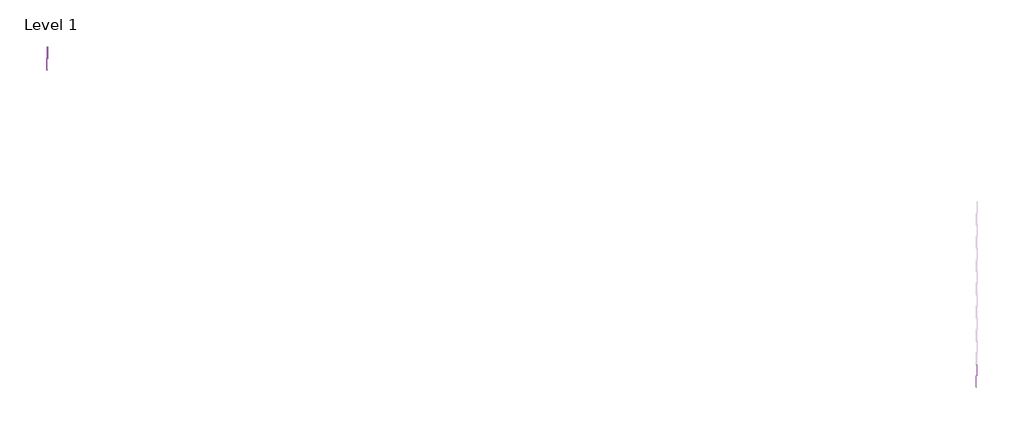
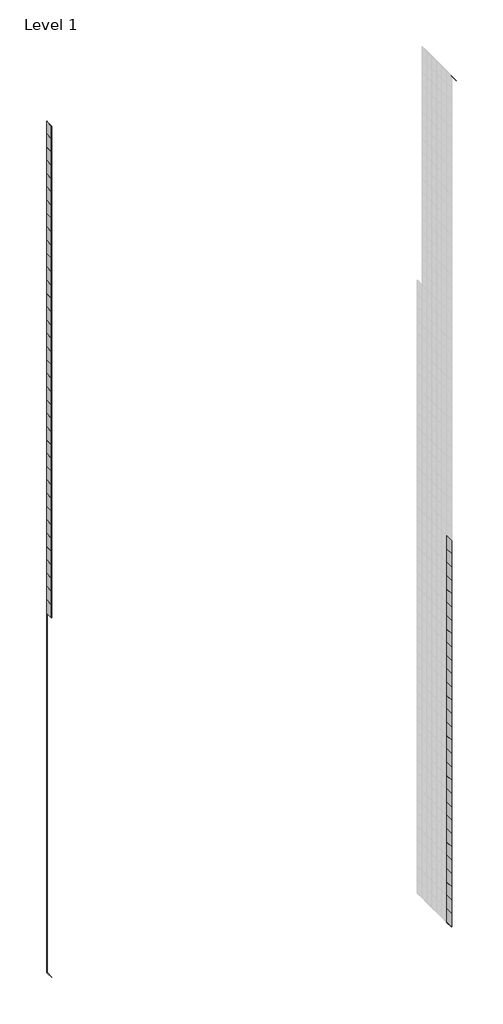
# One storey, part 21 of 29: 67 members, 66 plates.
"""IFC4 building model written with IfcOpenShell, lengths in millimetres."""

import ifcopenshell
import ifcopenshell.guid

model = None  # the IFC model being written
_history = None  # IfcOwnerHistory: only IFC2X3 demands one
_inside = {}  # id of a spatial element -> (the spatial element, [elements in it])
_under = {}  # id of a project, library or spatial element -> (it, [spatial elements below it])
_declared = {}  # id of a project -> (the project, [libraries it declares])
_typed = {}  # id of a type object -> (the type object, [elements of that type])
_made_of = {}  # id of a material, layer set ... -> (it, [elements and type objects made of it])


def new_model(schema):
    """Start an empty IFC model of exactly this schema.

    Asked for "IFC4X3", IfcOpenShell would pick the latest addendum, in which some entities
    have other attributes; the version numbers below select the first issue.
    IFC2X3 requires an IfcOwnerHistory on every rooted entity: one is made here for all.
    """
    global model, _history
    if schema == "IFC4X3":
        model = ifcopenshell.file(schema_version=(4, 3, 0, 0))
    else:
        model = ifcopenshell.file(schema=schema)
    _inside.clear()
    _under.clear()
    _declared.clear()
    _typed.clear()
    _made_of.clear()
    _history = None
    if model.schema == "IFC2X3":
        org = make("IfcOrganization", Name="unknown")
        user = make(
            "IfcPersonAndOrganization",
            ThePerson=make("IfcPerson", FamilyName="unknown"),
            TheOrganization=org,
        )
        app = make(
            "IfcApplication",
            ApplicationDeveloper=org,
            Version="unknown",
            ApplicationFullName="unknown",
            ApplicationIdentifier="unknown",
        )
        _history = make(
            "IfcOwnerHistory",
            OwningUser=user,
            OwningApplication=app,
            ChangeAction="ADDED",
            CreationDate=0,
        )
    return model


def make(cls, **values):
    """One entity of the class cls with the attributes given. An attribute that is None is left unset."""
    return model.create_entity(
        cls, **{name: value for name, value in values.items() if value is not None}
    )


def rooted(cls, **values):
    """An entity with a GlobalId (a new one), such as an element, a storey or a relation."""
    return make(cls, GlobalId=ifcopenshell.guid.new(), OwnerHistory=_history, **values)


def si_unit(unit_type, name, prefix=None):
    """IfcSIUnit, for example si_unit("LENGTHUNIT", "METRE", prefix="MILLI")."""
    return make("IfcSIUnit", UnitType=unit_type, Prefix=prefix, Name=name)


def assignment(units):
    """IfcUnitAssignment: the units of a project."""
    return None if units is None else make("IfcUnitAssignment", Units=units)


def point(xyz):
    """IfcCartesianPoint."""
    return None if xyz is None else make("IfcCartesianPoint", Coordinates=xyz)


def direction(xyz):
    """IfcDirection."""
    return None if xyz is None else make("IfcDirection", DirectionRatios=xyz)


def frame(location, z_axis=None, x_axis=None):
    """IfcAxis2Placement3D, a coordinate frame: its origin and axes. An axis left out is left unset."""
    return make(
        "IfcAxis2Placement3D",
        Location=point(location),
        Axis=direction(z_axis),
        RefDirection=direction(x_axis),
    )


def origin():
    """The frame at (0, 0, 0) with its axes left unset."""
    return frame((0.0, 0.0, 0.0))


def origin_with_axes():
    """The frame at (0, 0, 0) with the z axis (0, 0, 1) and the x axis (1, 0, 0) written out."""
    return frame((0.0, 0.0, 0.0), z_axis=(0.0, 0.0, 1.0), x_axis=(1.0, 0.0, 0.0))


def place(relative_to, where):
    """IfcLocalPlacement: puts the frame where relative to a parent placement (None: the world)."""
    return make(
        "IfcLocalPlacement", PlacementRelTo=relative_to, RelativePlacement=where
    )


def context(
    kind, dimensions, precision=None, world=None, true_north=None, identifier=None
):
    """IfcGeometricRepresentationContext, for example the 3D "Model" context."""
    return make(
        "IfcGeometricRepresentationContext",
        ContextIdentifier=identifier,
        ContextType=kind,
        CoordinateSpaceDimension=dimensions,
        Precision=precision,
        WorldCoordinateSystem=world,
        TrueNorth=true_north,
    )


def project(units=None, contexts=None):
    """IfcProject with its units and contexts."""
    return rooted(
        "IfcProject",
        Name="project",
        RepresentationContexts=contexts,
        UnitsInContext=assignment(units),
    )


def spatial(cls, under=None, at=None, **own):
    """A site, building, storey or space (cls), placed at a placement, below another one or the project."""
    s = rooted(cls, ObjectPlacement=at, **own)
    if under is not None:
        _under.setdefault(under.id(), (under, []))[1].append(s)
    return s


def polyline(points):
    """IfcPolyline through the points."""
    return make("IfcPolyline", Points=[point(p) for p in points])


def outline(outer, holes=None, kind="AREA"):
    """IfcArbitraryClosedProfileDef: a profile drawn as a closed curve; with holes, ...WithVoids."""
    if holes is None:
        return make("IfcArbitraryClosedProfileDef", ProfileType=kind, OuterCurve=outer)
    return make(
        "IfcArbitraryProfileDefWithVoids",
        ProfileType=kind,
        OuterCurve=outer,
        InnerCurves=holes,
    )


def extrude(swept, where, along, depth):
    """IfcExtrudedAreaSolid: the profile swept, set in the frame where, extruded along a direction by depth."""
    return make(
        "IfcExtrudedAreaSolid",
        SweptArea=swept,
        Position=where,
        ExtrudedDirection=direction(along),
        Depth=depth,
    )


def shape(context_of_items, identifier, shape_type, items):
    """IfcShapeRepresentation: the items that make up one representation, for example the "Body"."""
    return make(
        "IfcShapeRepresentation",
        ContextOfItems=context_of_items,
        RepresentationIdentifier=identifier,
        RepresentationType=shape_type,
        Items=items,
    )


def source(mapping_origin, context_of_items, identifier, shape_type, items):
    """IfcRepresentationMap: a shape defined once, which mapped items show again and again."""
    return make(
        "IfcRepresentationMap",
        MappingOrigin=mapping_origin,
        MappedRepresentation=shape(context_of_items, identifier, shape_type, items),
    )


def transform(
    local_origin,
    x_axis=None,
    y_axis=None,
    z_axis=None,
    scale=None,
    scale2=None,
    scale3=None,
    uniform=True,
):
    """IfcCartesianTransformationOperator3D, or its non-uniform kind. x_axis, y_axis, z_axis: its Axis1, 2, 3."""
    if uniform:
        return make(
            "IfcCartesianTransformationOperator3D",
            Axis1=direction(x_axis),
            Axis2=direction(y_axis),
            LocalOrigin=point(local_origin),
            Scale=scale,
            Axis3=direction(z_axis),
        )
    return make(
        "IfcCartesianTransformationOperator3DnonUniform",
        Axis1=direction(x_axis),
        Axis2=direction(y_axis),
        LocalOrigin=point(local_origin),
        Scale=scale,
        Axis3=direction(z_axis),
        Scale2=scale2,
        Scale3=scale3,
    )


def mapped(mapping_source, mapping_target):
    """IfcMappedItem: shows the shape of a source again, moved by a transform."""
    return make(
        "IfcMappedItem", MappingSource=mapping_source, MappingTarget=mapping_target
    )


def made_of(thing, what):
    """Note that an element or type object is made of a material, layer set ...; save() writes the relation."""
    if what is not None:
        _made_of.setdefault(what.id(), (what, []))[1].append(thing)
    return thing


def element(
    cls,
    number,
    at=None,
    inside=None,
    cuts=None,
    type_object=None,
    material=None,
    context=None,
    identifier="Body",
    shape_type=None,
    held_by="IfcProductDefinitionShape",
    body=None,
    shapes=None,
    **own,
):
    """One element of the class cls, such as IfcWall. Its Tag is "e" and its number.

    at: its placement. inside: the storey or other place that contains it. cuts: it is an
    opening in that element (IfcRelVoidsElement). A single representation is given by context,
    identifier, shape_type and body (its items); several are given by shapes. held_by: the class
    of the entity that holds the representations. save() writes the other relations.
    """
    e = rooted(cls, Tag="e%d" % number, ObjectPlacement=at, **own)
    if body is not None:
        shapes = [shape(context, identifier, shape_type, body)]
    if shapes is not None:
        e.Representation = make(held_by, Representations=shapes)
    if inside is not None:
        _inside.setdefault(inside.id(), (inside, []))[1].append(e)
    if cuts is not None:
        rooted(
            "IfcRelVoidsElement", RelatingBuildingElement=cuts, RelatedOpeningElement=e
        )
    if type_object is not None:
        _typed.setdefault(type_object.id(), (type_object, []))[1].append(e)
    return made_of(e, material)


def aggregate(whole, parts):
    """IfcRelAggregates: a whole, such as a stair, and the parts it consists of."""
    return rooted("IfcRelAggregates", RelatingObject=whole, RelatedObjects=parts)


def save(model, path):
    """Write the relations noted so far, then the file.

    IfcRelAggregates (storeys below a building ...), IfcRelContainedInSpatialStructure (elements
    in a storey), IfcRelDefinesByType, IfcRelAssociatesMaterial and IfcRelDeclares: one each for
    every whole, place, type object, material and project.
    """
    for whole, parts in _under.values():
        aggregate(whole, parts)
    for where, things in _inside.values():
        rooted(
            "IfcRelContainedInSpatialStructure",
            RelatedElements=things,
            RelatingStructure=where,
        )
    for kind, things in _typed.values():
        rooted("IfcRelDefinesByType", RelatedObjects=things, RelatingType=kind)
    for what, things in _made_of.values():
        rooted("IfcRelAssociatesMaterial", RelatedObjects=things, RelatingMaterial=what)
    for by, libraries in _declared.values():
        rooted("IfcRelDeclares", RelatingContext=by, RelatedDefinitions=libraries)
    model.write(path)


def rectangular_mullion_30mm_square_c0b6bdf9(model_context):
    return source(origin(), model_context, "Body", "SweptSolid", [
        extrude(outline(polyline([(0.0, 15.0), (0.0, -15.0), (-30.0, -15.0), (-30.0, 15.0), (0.0, 15.0)])), frame((0.0, 0.0, -1470.0), z_axis=(0.0, 0.0, 1.0), x_axis=(1.0, 0.0, 0.0)), (0.0, 0.0, 1.0), 1470.0),
    ])


def rectangular_mullion_30mm_square_0448d2ee(model_context):
    return source(origin(), model_context, "Body", "SweptSolid", [
        extrude(outline(polyline([(0.0, 15.0), (0.0, -15.0), (-30.0, -15.0), (-30.0, 15.0), (0.0, 15.0)])), frame((0.0, 0.0, -1500.0), z_axis=(0.0, 0.0, 1.0), x_axis=(1.0, 0.0, 0.0)), (0.0, 0.0, 1.0), 1500.0),
    ])


def rectangular_mullion_30mm_square_364816fe(model_context):
    return source(origin(), model_context, "Body", "SweptSolid", [
        extrude(outline(polyline([(0.0, 15.0), (0.0, -15.0), (-30.0, -15.0), (-30.0, 15.0), (0.0, 15.0)])), frame((0.0, 0.0, -2300.0), z_axis=(0.0, 0.0, 1.0), x_axis=(1.0, 0.0, 0.0)), (0.0, 0.0, 1.0), 2300.0),
    ])


def rectangular_mullion_30mm_square_71fd6b88(model_context):
    return source(origin(), model_context, "Body", "SweptSolid", [
        extrude(outline(polyline([(0.0, 15.0), (0.0, -15.0), (-30.0, -15.0), (-30.0, 15.0), (0.0, 15.0)])), frame((0.0, 0.0, -2500.0), z_axis=(0.0, 0.0, 1.0), x_axis=(1.0, 0.0, 0.0)), (0.0, 0.0, 1.0), 2500.0),
    ])


def system_panel_glazed_328a1fc4(model_context):
    return source(origin(), model_context, "Body", "SweptSolid", [
        extrude(outline(polyline([(750.0, -49.5), (-750.0, -49.5), (-750.0, -24.5), (750.0, -24.5), (750.0, -49.5)])), origin_with_axes(), (0.0, 0.0, 1.0), 2500.0),
    ])


def system_panel_glazed_00ce7913(model_context):
    return source(origin(), model_context, "Body", "SweptSolid", [
        extrude(outline(polyline([(750.0, -49.5), (-750.0, -49.5), (-750.0, -24.5), (750.0, -24.5), (750.0, -49.5)])), origin_with_axes(), (0.0, 0.0, 1.0), 2300.0),
    ])


model = new_model("IFC4")

# Units and contexts
model_context = context("Model", 3, world=origin())
ifc_project = project(units=[si_unit("LENGTHUNIT", "METRE", prefix="MILLI")], contexts=[model_context])

# Site, building, storey
site = spatial("IfcSite", under=ifc_project)
building = spatial("IfcBuilding", under=site)
storey = spatial("IfcBuildingStorey", under=building, Name="Level 1", Elevation=0.0)

# Members
placement = place(None, origin())
rectangular_mullion_30mm_square_shape = rectangular_mullion_30mm_square_c0b6bdf9(model_context)
element("IfcMember", 1, ObjectType="Rectangular Mullion : 30mm Square", at=placement, inside=storey, context=model_context, shape_type="MappedRepresentation", body=[
    mapped(rectangular_mullion_30mm_square_shape, transform((-32220.0048524, 21023.1129705, 140400.0), x_axis=(0.0, 0.0, -1.0), y_axis=(-1.0, 0.0, 0.0), z_axis=(0.0, 1.0, 0.0))),
])
rectangular_mullion_30mm_square_2_shape = rectangular_mullion_30mm_square_0448d2ee(model_context)
element("IfcMember", 2, ObjectType="Rectangular Mullion : 30mm Square", at=placement, inside=storey, context=model_context, shape_type="MappedRepresentation", body=[
    mapped(rectangular_mullion_30mm_square_2_shape, transform((27779.9951476, 553.1129705, 300200.0), x_axis=(0.0, 0.0, 1.0), y_axis=(1.0, 0.0, 0.0), z_axis=(0.0, 1.0, 0.0))),
])
element("IfcMember", 3, ObjectType="Rectangular Mullion : 30mm Square", at=placement, inside=storey, context=model_context, shape_type="MappedRepresentation", body=[
    mapped(rectangular_mullion_30mm_square_2_shape, transform((27779.9951476, 553.1129705, 140400.0), x_axis=(0.0, 0.0, -1.0), y_axis=(1.0, 0.0, 0.0), z_axis=(0.0, -1.0, 0.0))),
])
rectangular_mullion_30mm_square_3_shape = rectangular_mullion_30mm_square_364816fe(model_context)
element("IfcMember", 4, ObjectType="Rectangular Mullion : 30mm Square", at=placement, inside=storey, context=model_context, shape_type="MappedRepresentation", body=[
    mapped(rectangular_mullion_30mm_square_3_shape, transform((-32220.0048524, 21053.1129705, 300200.0), x_axis=(0.0, 1.0, 0.0), y_axis=(-1.0, 0.0, 0.0), z_axis=(0.0, 0.0, 1.0))),
])
rectangular_mullion_30mm_square_4_shape = rectangular_mullion_30mm_square_71fd6b88(model_context)
element("IfcMember", 5, ObjectType="Rectangular Mullion : 30mm Square", at=placement, inside=storey, context=model_context, shape_type="MappedRepresentation", body=[
    mapped(rectangular_mullion_30mm_square_4_shape, transform((-32220.0048524, 21053.1129705, 142900.0), x_axis=(0.0, 1.0, 0.0), y_axis=(-1.0, 0.0, 0.0), z_axis=(0.0, 0.0, 1.0))),
])
element("IfcMember", 6, ObjectType="Rectangular Mullion : 30mm Square", at=placement, inside=storey, context=model_context, shape_type="MappedRepresentation", body=[
    mapped(rectangular_mullion_30mm_square_4_shape, transform((-32220.0048524, 21053.1129705, 145400.0), x_axis=(0.0, 1.0, 0.0), y_axis=(-1.0, 0.0, 0.0), z_axis=(0.0, 0.0, 1.0))),
])
element("IfcMember", 7, ObjectType="Rectangular Mullion : 30mm Square", at=placement, inside=storey, context=model_context, shape_type="MappedRepresentation", body=[
    mapped(rectangular_mullion_30mm_square_4_shape, transform((-32220.0048524, 21053.1129705, 147900.0), x_axis=(0.0, 1.0, 0.0), y_axis=(-1.0, 0.0, 0.0), z_axis=(0.0, 0.0, 1.0))),
])
element("IfcMember", 8, ObjectType="Rectangular Mullion : 30mm Square", at=placement, inside=storey, context=model_context, shape_type="MappedRepresentation", body=[
    mapped(rectangular_mullion_30mm_square_4_shape, transform((-32220.0048524, 21053.1129705, 150400.0), x_axis=(0.0, 1.0, 0.0), y_axis=(-1.0, 0.0, 0.0), z_axis=(0.0, 0.0, 1.0))),
])
element("IfcMember", 9, ObjectType="Rectangular Mullion : 30mm Square", at=placement, inside=storey, context=model_context, shape_type="MappedRepresentation", body=[
    mapped(rectangular_mullion_30mm_square_4_shape, transform((-32220.0048524, 21053.1129705, 152900.0), x_axis=(0.0, 1.0, 0.0), y_axis=(-1.0, 0.0, 0.0), z_axis=(0.0, 0.0, 1.0))),
])
element("IfcMember", 10, ObjectType="Rectangular Mullion : 30mm Square", at=placement, inside=storey, context=model_context, shape_type="MappedRepresentation", body=[
    mapped(rectangular_mullion_30mm_square_4_shape, transform((-32220.0048524, 21053.1129705, 155400.0), x_axis=(0.0, 1.0, 0.0), y_axis=(-1.0, 0.0, 0.0), z_axis=(0.0, 0.0, 1.0))),
])
element("IfcMember", 11, ObjectType="Rectangular Mullion : 30mm Square", at=placement, inside=storey, context=model_context, shape_type="MappedRepresentation", body=[
    mapped(rectangular_mullion_30mm_square_4_shape, transform((-32220.0048524, 21053.1129705, 157900.0), x_axis=(0.0, 1.0, 0.0), y_axis=(-1.0, 0.0, 0.0), z_axis=(0.0, 0.0, 1.0))),
])
element("IfcMember", 12, ObjectType="Rectangular Mullion : 30mm Square", at=placement, inside=storey, context=model_context, shape_type="MappedRepresentation", body=[
    mapped(rectangular_mullion_30mm_square_4_shape, transform((-32220.0048524, 21053.1129705, 160400.0), x_axis=(0.0, 1.0, 0.0), y_axis=(-1.0, 0.0, 0.0), z_axis=(0.0, 0.0, 1.0))),
])
element("IfcMember", 13, ObjectType="Rectangular Mullion : 30mm Square", at=placement, inside=storey, context=model_context, shape_type="MappedRepresentation", body=[
    mapped(rectangular_mullion_30mm_square_4_shape, transform((-32220.0048524, 21053.1129705, 162900.0), x_axis=(0.0, 1.0, 0.0), y_axis=(-1.0, 0.0, 0.0), z_axis=(0.0, 0.0, 1.0))),
])
element("IfcMember", 14, ObjectType="Rectangular Mullion : 30mm Square", at=placement, inside=storey, context=model_context, shape_type="MappedRepresentation", body=[
    mapped(rectangular_mullion_30mm_square_4_shape, transform((-32220.0048524, 21053.1129705, 165400.0), x_axis=(0.0, 1.0, 0.0), y_axis=(-1.0, 0.0, 0.0), z_axis=(0.0, 0.0, 1.0))),
])
element("IfcMember", 15, ObjectType="Rectangular Mullion : 30mm Square", at=placement, inside=storey, context=model_context, shape_type="MappedRepresentation", body=[
    mapped(rectangular_mullion_30mm_square_4_shape, transform((-32220.0048524, 21053.1129705, 167900.0), x_axis=(0.0, 1.0, 0.0), y_axis=(-1.0, 0.0, 0.0), z_axis=(0.0, 0.0, 1.0))),
])
element("IfcMember", 16, ObjectType="Rectangular Mullion : 30mm Square", at=placement, inside=storey, context=model_context, shape_type="MappedRepresentation", body=[
    mapped(rectangular_mullion_30mm_square_4_shape, transform((-32220.0048524, 21053.1129705, 170400.0), x_axis=(0.0, 1.0, 0.0), y_axis=(-1.0, 0.0, 0.0), z_axis=(0.0, 0.0, 1.0))),
])
element("IfcMember", 17, ObjectType="Rectangular Mullion : 30mm Square", at=placement, inside=storey, context=model_context, shape_type="MappedRepresentation", body=[
    mapped(rectangular_mullion_30mm_square_4_shape, transform((-32220.0048524, 21053.1129705, 172900.0), x_axis=(0.0, 1.0, 0.0), y_axis=(-1.0, 0.0, 0.0), z_axis=(0.0, 0.0, 1.0))),
])
element("IfcMember", 18, ObjectType="Rectangular Mullion : 30mm Square", at=placement, inside=storey, context=model_context, shape_type="MappedRepresentation", body=[
    mapped(rectangular_mullion_30mm_square_4_shape, transform((-32220.0048524, 21053.1129705, 175400.0), x_axis=(0.0, 1.0, 0.0), y_axis=(-1.0, 0.0, 0.0), z_axis=(0.0, 0.0, 1.0))),
])
element("IfcMember", 19, ObjectType="Rectangular Mullion : 30mm Square", at=placement, inside=storey, context=model_context, shape_type="MappedRepresentation", body=[
    mapped(rectangular_mullion_30mm_square_4_shape, transform((-32220.0048524, 21053.1129705, 177900.0), x_axis=(0.0, 1.0, 0.0), y_axis=(-1.0, 0.0, 0.0), z_axis=(0.0, 0.0, 1.0))),
])
element("IfcMember", 20, ObjectType="Rectangular Mullion : 30mm Square", at=placement, inside=storey, context=model_context, shape_type="MappedRepresentation", body=[
    mapped(rectangular_mullion_30mm_square_4_shape, transform((-32220.0048524, 21053.1129705, 180400.0), x_axis=(0.0, 1.0, 0.0), y_axis=(-1.0, 0.0, 0.0), z_axis=(0.0, 0.0, 1.0))),
])
element("IfcMember", 21, ObjectType="Rectangular Mullion : 30mm Square", at=placement, inside=storey, context=model_context, shape_type="MappedRepresentation", body=[
    mapped(rectangular_mullion_30mm_square_4_shape, transform((-32220.0048524, 21053.1129705, 182900.0), x_axis=(0.0, 1.0, 0.0), y_axis=(-1.0, 0.0, 0.0), z_axis=(0.0, 0.0, 1.0))),
])
element("IfcMember", 22, ObjectType="Rectangular Mullion : 30mm Square", at=placement, inside=storey, context=model_context, shape_type="MappedRepresentation", body=[
    mapped(rectangular_mullion_30mm_square_4_shape, transform((-32220.0048524, 21053.1129705, 185400.0), x_axis=(0.0, 1.0, 0.0), y_axis=(-1.0, 0.0, 0.0), z_axis=(0.0, 0.0, 1.0))),
])
element("IfcMember", 23, ObjectType="Rectangular Mullion : 30mm Square", at=placement, inside=storey, context=model_context, shape_type="MappedRepresentation", body=[
    mapped(rectangular_mullion_30mm_square_4_shape, transform((-32220.0048524, 21053.1129705, 187900.0), x_axis=(0.0, 1.0, 0.0), y_axis=(-1.0, 0.0, 0.0), z_axis=(0.0, 0.0, 1.0))),
])
element("IfcMember", 24, ObjectType="Rectangular Mullion : 30mm Square", at=placement, inside=storey, context=model_context, shape_type="MappedRepresentation", body=[
    mapped(rectangular_mullion_30mm_square_4_shape, transform((-32220.0048524, 21053.1129705, 190400.0), x_axis=(0.0, 1.0, 0.0), y_axis=(-1.0, 0.0, 0.0), z_axis=(0.0, 0.0, 1.0))),
])
element("IfcMember", 25, ObjectType="Rectangular Mullion : 30mm Square", at=placement, inside=storey, context=model_context, shape_type="MappedRepresentation", body=[
    mapped(rectangular_mullion_30mm_square_4_shape, transform((-32220.0048524, 21053.1129705, 192900.0), x_axis=(0.0, 1.0, 0.0), y_axis=(-1.0, 0.0, 0.0), z_axis=(0.0, 0.0, 1.0))),
])
element("IfcMember", 26, ObjectType="Rectangular Mullion : 30mm Square", at=placement, inside=storey, context=model_context, shape_type="MappedRepresentation", body=[
    mapped(rectangular_mullion_30mm_square_4_shape, transform((-32220.0048524, 21053.1129705, 195400.0), x_axis=(0.0, 1.0, 0.0), y_axis=(-1.0, 0.0, 0.0), z_axis=(0.0, 0.0, 1.0))),
])
element("IfcMember", 27, ObjectType="Rectangular Mullion : 30mm Square", at=placement, inside=storey, context=model_context, shape_type="MappedRepresentation", body=[
    mapped(rectangular_mullion_30mm_square_4_shape, transform((-32220.0048524, 21053.1129705, 197900.0), x_axis=(0.0, 1.0, 0.0), y_axis=(-1.0, 0.0, 0.0), z_axis=(0.0, 0.0, 1.0))),
])
element("IfcMember", 28, ObjectType="Rectangular Mullion : 30mm Square", at=placement, inside=storey, context=model_context, shape_type="MappedRepresentation", body=[
    mapped(rectangular_mullion_30mm_square_4_shape, transform((-32220.0048524, 21053.1129705, 200400.0), x_axis=(0.0, 1.0, 0.0), y_axis=(-1.0, 0.0, 0.0), z_axis=(0.0, 0.0, 1.0))),
])
element("IfcMember", 29, ObjectType="Rectangular Mullion : 30mm Square", at=placement, inside=storey, context=model_context, shape_type="MappedRepresentation", body=[
    mapped(rectangular_mullion_30mm_square_4_shape, transform((-32220.0048524, 21053.1129705, 202900.0), x_axis=(0.0, 1.0, 0.0), y_axis=(-1.0, 0.0, 0.0), z_axis=(0.0, 0.0, 1.0))),
])
element("IfcMember", 30, ObjectType="Rectangular Mullion : 30mm Square", at=placement, inside=storey, context=model_context, shape_type="MappedRepresentation", body=[
    mapped(rectangular_mullion_30mm_square_4_shape, transform((-32220.0048524, 21053.1129705, 205400.0), x_axis=(0.0, 1.0, 0.0), y_axis=(-1.0, 0.0, 0.0), z_axis=(0.0, 0.0, 1.0))),
])
element("IfcMember", 31, ObjectType="Rectangular Mullion : 30mm Square", at=placement, inside=storey, context=model_context, shape_type="MappedRepresentation", body=[
    mapped(rectangular_mullion_30mm_square_4_shape, transform((-32220.0048524, 21053.1129705, 207900.0), x_axis=(0.0, 1.0, 0.0), y_axis=(-1.0, 0.0, 0.0), z_axis=(0.0, 0.0, 1.0))),
])
element("IfcMember", 32, ObjectType="Rectangular Mullion : 30mm Square", at=placement, inside=storey, context=model_context, shape_type="MappedRepresentation", body=[
    mapped(rectangular_mullion_30mm_square_4_shape, transform((-32220.0048524, 21053.1129705, 210400.0), x_axis=(0.0, 1.0, 0.0), y_axis=(-1.0, 0.0, 0.0), z_axis=(0.0, 0.0, 1.0))),
])
element("IfcMember", 33, ObjectType="Rectangular Mullion : 30mm Square", at=placement, inside=storey, context=model_context, shape_type="MappedRepresentation", body=[
    mapped(rectangular_mullion_30mm_square_4_shape, transform((-32220.0048524, 21053.1129705, 212900.0), x_axis=(0.0, 1.0, 0.0), y_axis=(-1.0, 0.0, 0.0), z_axis=(0.0, 0.0, 1.0))),
])
element("IfcMember", 34, ObjectType="Rectangular Mullion : 30mm Square", at=placement, inside=storey, context=model_context, shape_type="MappedRepresentation", body=[
    mapped(rectangular_mullion_30mm_square_4_shape, transform((-32220.0048524, 21053.1129705, 215400.0), x_axis=(0.0, 1.0, 0.0), y_axis=(-1.0, 0.0, 0.0), z_axis=(0.0, 0.0, 1.0))),
])
element("IfcMember", 35, ObjectType="Rectangular Mullion : 30mm Square", at=placement, inside=storey, context=model_context, shape_type="MappedRepresentation", body=[
    mapped(rectangular_mullion_30mm_square_4_shape, transform((-32220.0048524, 21053.1129705, 217900.0), x_axis=(0.0, 1.0, 0.0), y_axis=(-1.0, 0.0, 0.0), z_axis=(0.0, 0.0, 1.0))),
])
element("IfcMember", 36, ObjectType="Rectangular Mullion : 30mm Square", at=placement, inside=storey, context=model_context, shape_type="MappedRepresentation", body=[
    mapped(rectangular_mullion_30mm_square_4_shape, transform((-32220.0048524, 21053.1129705, 220400.0), x_axis=(0.0, 1.0, 0.0), y_axis=(-1.0, 0.0, 0.0), z_axis=(0.0, 0.0, 1.0))),
])
element("IfcMember", 37, ObjectType="Rectangular Mullion : 30mm Square", at=placement, inside=storey, context=model_context, shape_type="MappedRepresentation", body=[
    mapped(rectangular_mullion_30mm_square_4_shape, transform((-32220.0048524, 21053.1129705, 222900.0), x_axis=(0.0, 1.0, 0.0), y_axis=(-1.0, 0.0, 0.0), z_axis=(0.0, 0.0, 1.0))),
])
element("IfcMember", 38, ObjectType="Rectangular Mullion : 30mm Square", at=placement, inside=storey, context=model_context, shape_type="MappedRepresentation", body=[
    mapped(rectangular_mullion_30mm_square_4_shape, transform((-32220.0048524, 21053.1129705, 225400.0), x_axis=(0.0, 1.0, 0.0), y_axis=(-1.0, 0.0, 0.0), z_axis=(0.0, 0.0, 1.0))),
])
element("IfcMember", 39, ObjectType="Rectangular Mullion : 30mm Square", at=placement, inside=storey, context=model_context, shape_type="MappedRepresentation", body=[
    mapped(rectangular_mullion_30mm_square_4_shape, transform((-32220.0048524, 21053.1129705, 227900.0), x_axis=(0.0, 1.0, 0.0), y_axis=(-1.0, 0.0, 0.0), z_axis=(0.0, 0.0, 1.0))),
])
element("IfcMember", 40, ObjectType="Rectangular Mullion : 30mm Square", at=placement, inside=storey, context=model_context, shape_type="MappedRepresentation", body=[
    mapped(rectangular_mullion_30mm_square_4_shape, transform((-32220.0048524, 21053.1129705, 230400.0), x_axis=(0.0, 1.0, 0.0), y_axis=(-1.0, 0.0, 0.0), z_axis=(0.0, 0.0, 1.0))),
])
element("IfcMember", 41, ObjectType="Rectangular Mullion : 30mm Square", at=placement, inside=storey, context=model_context, shape_type="MappedRepresentation", body=[
    mapped(rectangular_mullion_30mm_square_4_shape, transform((-32220.0048524, 21053.1129705, 232900.0), x_axis=(0.0, 1.0, 0.0), y_axis=(-1.0, 0.0, 0.0), z_axis=(0.0, 0.0, 1.0))),
])
element("IfcMember", 42, ObjectType="Rectangular Mullion : 30mm Square", at=placement, inside=storey, context=model_context, shape_type="MappedRepresentation", body=[
    mapped(rectangular_mullion_30mm_square_4_shape, transform((-32220.0048524, 21053.1129705, 235400.0), x_axis=(0.0, 1.0, 0.0), y_axis=(-1.0, 0.0, 0.0), z_axis=(0.0, 0.0, 1.0))),
])
element("IfcMember", 43, ObjectType="Rectangular Mullion : 30mm Square", at=placement, inside=storey, context=model_context, shape_type="MappedRepresentation", body=[
    mapped(rectangular_mullion_30mm_square_4_shape, transform((-32220.0048524, 21053.1129705, 237900.0), x_axis=(0.0, 1.0, 0.0), y_axis=(-1.0, 0.0, 0.0), z_axis=(0.0, 0.0, 1.0))),
])
element("IfcMember", 44, ObjectType="Rectangular Mullion : 30mm Square", at=placement, inside=storey, context=model_context, shape_type="MappedRepresentation", body=[
    mapped(rectangular_mullion_30mm_square_4_shape, transform((-32220.0048524, 21053.1129705, 240400.0), x_axis=(0.0, 1.0, 0.0), y_axis=(-1.0, 0.0, 0.0), z_axis=(0.0, 0.0, 1.0))),
])
element("IfcMember", 45, ObjectType="Rectangular Mullion : 30mm Square", at=placement, inside=storey, context=model_context, shape_type="MappedRepresentation", body=[
    mapped(rectangular_mullion_30mm_square_4_shape, transform((-32220.0048524, 21053.1129705, 242900.0), x_axis=(0.0, 1.0, 0.0), y_axis=(-1.0, 0.0, 0.0), z_axis=(0.0, 0.0, 1.0))),
])
element("IfcMember", 46, ObjectType="Rectangular Mullion : 30mm Square", at=placement, inside=storey, context=model_context, shape_type="MappedRepresentation", body=[
    mapped(rectangular_mullion_30mm_square_4_shape, transform((-32220.0048524, 21053.1129705, 245400.0), x_axis=(0.0, 1.0, 0.0), y_axis=(-1.0, 0.0, 0.0), z_axis=(0.0, 0.0, 1.0))),
])
element("IfcMember", 47, ObjectType="Rectangular Mullion : 30mm Square", at=placement, inside=storey, context=model_context, shape_type="MappedRepresentation", body=[
    mapped(rectangular_mullion_30mm_square_4_shape, transform((-32220.0048524, 21053.1129705, 247900.0), x_axis=(0.0, 1.0, 0.0), y_axis=(-1.0, 0.0, 0.0), z_axis=(0.0, 0.0, 1.0))),
])
element("IfcMember", 48, ObjectType="Rectangular Mullion : 30mm Square", at=placement, inside=storey, context=model_context, shape_type="MappedRepresentation", body=[
    mapped(rectangular_mullion_30mm_square_4_shape, transform((-32220.0048524, 21053.1129705, 250400.0), x_axis=(0.0, 1.0, 0.0), y_axis=(-1.0, 0.0, 0.0), z_axis=(0.0, 0.0, 1.0))),
])
element("IfcMember", 49, ObjectType="Rectangular Mullion : 30mm Square", at=placement, inside=storey, context=model_context, shape_type="MappedRepresentation", body=[
    mapped(rectangular_mullion_30mm_square_4_shape, transform((-32220.0048524, 21053.1129705, 252900.0), x_axis=(0.0, 1.0, 0.0), y_axis=(-1.0, 0.0, 0.0), z_axis=(0.0, 0.0, 1.0))),
])
element("IfcMember", 50, ObjectType="Rectangular Mullion : 30mm Square", at=placement, inside=storey, context=model_context, shape_type="MappedRepresentation", body=[
    mapped(rectangular_mullion_30mm_square_4_shape, transform((-32220.0048524, 21053.1129705, 255400.0), x_axis=(0.0, 1.0, 0.0), y_axis=(-1.0, 0.0, 0.0), z_axis=(0.0, 0.0, 1.0))),
])
element("IfcMember", 51, ObjectType="Rectangular Mullion : 30mm Square", at=placement, inside=storey, context=model_context, shape_type="MappedRepresentation", body=[
    mapped(rectangular_mullion_30mm_square_4_shape, transform((-32220.0048524, 21053.1129705, 257900.0), x_axis=(0.0, 1.0, 0.0), y_axis=(-1.0, 0.0, 0.0), z_axis=(0.0, 0.0, 1.0))),
])
element("IfcMember", 52, ObjectType="Rectangular Mullion : 30mm Square", at=placement, inside=storey, context=model_context, shape_type="MappedRepresentation", body=[
    mapped(rectangular_mullion_30mm_square_4_shape, transform((-32220.0048524, 21053.1129705, 260400.0), x_axis=(0.0, 1.0, 0.0), y_axis=(-1.0, 0.0, 0.0), z_axis=(0.0, 0.0, 1.0))),
])
element("IfcMember", 53, ObjectType="Rectangular Mullion : 30mm Square", at=placement, inside=storey, context=model_context, shape_type="MappedRepresentation", body=[
    mapped(rectangular_mullion_30mm_square_4_shape, transform((-32220.0048524, 21053.1129705, 262900.0), x_axis=(0.0, 1.0, 0.0), y_axis=(-1.0, 0.0, 0.0), z_axis=(0.0, 0.0, 1.0))),
])
element("IfcMember", 54, ObjectType="Rectangular Mullion : 30mm Square", at=placement, inside=storey, context=model_context, shape_type="MappedRepresentation", body=[
    mapped(rectangular_mullion_30mm_square_4_shape, transform((-32220.0048524, 21053.1129705, 265400.0), x_axis=(0.0, 1.0, 0.0), y_axis=(-1.0, 0.0, 0.0), z_axis=(0.0, 0.0, 1.0))),
])
element("IfcMember", 55, ObjectType="Rectangular Mullion : 30mm Square", at=placement, inside=storey, context=model_context, shape_type="MappedRepresentation", body=[
    mapped(rectangular_mullion_30mm_square_4_shape, transform((-32220.0048524, 21053.1129705, 267900.0), x_axis=(0.0, 1.0, 0.0), y_axis=(-1.0, 0.0, 0.0), z_axis=(0.0, 0.0, 1.0))),
])
element("IfcMember", 56, ObjectType="Rectangular Mullion : 30mm Square", at=placement, inside=storey, context=model_context, shape_type="MappedRepresentation", body=[
    mapped(rectangular_mullion_30mm_square_4_shape, transform((-32220.0048524, 21053.1129705, 270400.0), x_axis=(0.0, 1.0, 0.0), y_axis=(-1.0, 0.0, 0.0), z_axis=(0.0, 0.0, 1.0))),
])
element("IfcMember", 57, ObjectType="Rectangular Mullion : 30mm Square", at=placement, inside=storey, context=model_context, shape_type="MappedRepresentation", body=[
    mapped(rectangular_mullion_30mm_square_4_shape, transform((-32220.0048524, 21053.1129705, 272900.0), x_axis=(0.0, 1.0, 0.0), y_axis=(-1.0, 0.0, 0.0), z_axis=(0.0, 0.0, 1.0))),
])
element("IfcMember", 58, ObjectType="Rectangular Mullion : 30mm Square", at=placement, inside=storey, context=model_context, shape_type="MappedRepresentation", body=[
    mapped(rectangular_mullion_30mm_square_4_shape, transform((-32220.0048524, 21053.1129705, 275400.0), x_axis=(0.0, 1.0, 0.0), y_axis=(-1.0, 0.0, 0.0), z_axis=(0.0, 0.0, 1.0))),
])
element("IfcMember", 59, ObjectType="Rectangular Mullion : 30mm Square", at=placement, inside=storey, context=model_context, shape_type="MappedRepresentation", body=[
    mapped(rectangular_mullion_30mm_square_4_shape, transform((-32220.0048524, 21053.1129705, 277900.0), x_axis=(0.0, 1.0, 0.0), y_axis=(-1.0, 0.0, 0.0), z_axis=(0.0, 0.0, 1.0))),
])
element("IfcMember", 60, ObjectType="Rectangular Mullion : 30mm Square", at=placement, inside=storey, context=model_context, shape_type="MappedRepresentation", body=[
    mapped(rectangular_mullion_30mm_square_4_shape, transform((-32220.0048524, 21053.1129705, 280400.0), x_axis=(0.0, 1.0, 0.0), y_axis=(-1.0, 0.0, 0.0), z_axis=(0.0, 0.0, 1.0))),
])
element("IfcMember", 61, ObjectType="Rectangular Mullion : 30mm Square", at=placement, inside=storey, context=model_context, shape_type="MappedRepresentation", body=[
    mapped(rectangular_mullion_30mm_square_4_shape, transform((-32220.0048524, 21053.1129705, 282900.0), x_axis=(0.0, 1.0, 0.0), y_axis=(-1.0, 0.0, 0.0), z_axis=(0.0, 0.0, 1.0))),
])
element("IfcMember", 62, ObjectType="Rectangular Mullion : 30mm Square", at=placement, inside=storey, context=model_context, shape_type="MappedRepresentation", body=[
    mapped(rectangular_mullion_30mm_square_4_shape, transform((-32220.0048524, 21053.1129705, 285400.0), x_axis=(0.0, 1.0, 0.0), y_axis=(-1.0, 0.0, 0.0), z_axis=(0.0, 0.0, 1.0))),
])
element("IfcMember", 63, ObjectType="Rectangular Mullion : 30mm Square", at=placement, inside=storey, context=model_context, shape_type="MappedRepresentation", body=[
    mapped(rectangular_mullion_30mm_square_4_shape, transform((-32220.0048524, 21053.1129705, 287900.0), x_axis=(0.0, 1.0, 0.0), y_axis=(-1.0, 0.0, 0.0), z_axis=(0.0, 0.0, 1.0))),
])
element("IfcMember", 64, ObjectType="Rectangular Mullion : 30mm Square", at=placement, inside=storey, context=model_context, shape_type="MappedRepresentation", body=[
    mapped(rectangular_mullion_30mm_square_4_shape, transform((-32220.0048524, 21053.1129705, 290400.0), x_axis=(0.0, 1.0, 0.0), y_axis=(-1.0, 0.0, 0.0), z_axis=(0.0, 0.0, 1.0))),
])
element("IfcMember", 65, ObjectType="Rectangular Mullion : 30mm Square", at=placement, inside=storey, context=model_context, shape_type="MappedRepresentation", body=[
    mapped(rectangular_mullion_30mm_square_4_shape, transform((-32220.0048524, 21053.1129705, 292900.0), x_axis=(0.0, 1.0, 0.0), y_axis=(-1.0, 0.0, 0.0), z_axis=(0.0, 0.0, 1.0))),
])
element("IfcMember", 66, ObjectType="Rectangular Mullion : 30mm Square", at=placement, inside=storey, context=model_context, shape_type="MappedRepresentation", body=[
    mapped(rectangular_mullion_30mm_square_4_shape, transform((-32220.0048524, 21053.1129705, 295400.0), x_axis=(0.0, 1.0, 0.0), y_axis=(-1.0, 0.0, 0.0), z_axis=(0.0, 0.0, 1.0))),
])
element("IfcMember", 67, ObjectType="Rectangular Mullion : 30mm Square", at=placement, inside=storey, context=model_context, shape_type="MappedRepresentation", body=[
    mapped(rectangular_mullion_30mm_square_4_shape, transform((-32220.0048524, 21053.1129705, 297900.0), x_axis=(0.0, 1.0, 0.0), y_axis=(-1.0, 0.0, 0.0), z_axis=(0.0, 0.0, 1.0))),
])

# Plates
system_panel_glazed_shape = system_panel_glazed_328a1fc4(model_context)
element("IfcPlate", 68, ObjectType="System Panel : Glazed", at=placement, inside=storey, context=model_context, shape_type="MappedRepresentation", body=[
    mapped(system_panel_glazed_shape, transform((-32220.0048524, 20303.1129705, 207900.0), x_axis=(0.0, -1.0, 0.0), y_axis=(1.0, 0.0, 0.0), z_axis=(0.0, 0.0, 1.0))),
])
element("IfcPlate", 69, ObjectType="System Panel : Glazed", at=placement, inside=storey, context=model_context, shape_type="MappedRepresentation", body=[
    mapped(system_panel_glazed_shape, transform((-32220.0048524, 20303.1129705, 210400.0), x_axis=(0.0, -1.0, 0.0), y_axis=(1.0, 0.0, 0.0), z_axis=(0.0, 0.0, 1.0))),
])
element("IfcPlate", 70, ObjectType="System Panel : Glazed", at=placement, inside=storey, context=model_context, shape_type="MappedRepresentation", body=[
    mapped(system_panel_glazed_shape, transform((-32220.0048524, 20303.1129705, 212900.0), x_axis=(0.0, -1.0, 0.0), y_axis=(1.0, 0.0, 0.0), z_axis=(0.0, 0.0, 1.0))),
])
element("IfcPlate", 71, ObjectType="System Panel : Glazed", at=placement, inside=storey, context=model_context, shape_type="MappedRepresentation", body=[
    mapped(system_panel_glazed_shape, transform((-32220.0048524, 20303.1129705, 215400.0), x_axis=(0.0, -1.0, 0.0), y_axis=(1.0, 0.0, 0.0), z_axis=(0.0, 0.0, 1.0))),
])
element("IfcPlate", 72, ObjectType="System Panel : Glazed", at=placement, inside=storey, context=model_context, shape_type="MappedRepresentation", body=[
    mapped(system_panel_glazed_shape, transform((-32220.0048524, 20303.1129705, 217900.0), x_axis=(0.0, -1.0, 0.0), y_axis=(1.0, 0.0, 0.0), z_axis=(0.0, 0.0, 1.0))),
])
element("IfcPlate", 73, ObjectType="System Panel : Glazed", at=placement, inside=storey, context=model_context, shape_type="MappedRepresentation", body=[
    mapped(system_panel_glazed_shape, transform((-32220.0048524, 20303.1129705, 220400.0), x_axis=(0.0, -1.0, 0.0), y_axis=(1.0, 0.0, 0.0), z_axis=(0.0, 0.0, 1.0))),
])
element("IfcPlate", 74, ObjectType="System Panel : Glazed", at=placement, inside=storey, context=model_context, shape_type="MappedRepresentation", body=[
    mapped(system_panel_glazed_shape, transform((-32220.0048524, 20303.1129705, 222900.0), x_axis=(0.0, -1.0, 0.0), y_axis=(1.0, 0.0, 0.0), z_axis=(0.0, 0.0, 1.0))),
])
element("IfcPlate", 75, ObjectType="System Panel : Glazed", at=placement, inside=storey, context=model_context, shape_type="MappedRepresentation", body=[
    mapped(system_panel_glazed_shape, transform((-32220.0048524, 20303.1129705, 225400.0), x_axis=(0.0, -1.0, 0.0), y_axis=(1.0, 0.0, 0.0), z_axis=(0.0, 0.0, 1.0))),
])
element("IfcPlate", 76, ObjectType="System Panel : Glazed", at=placement, inside=storey, context=model_context, shape_type="MappedRepresentation", body=[
    mapped(system_panel_glazed_shape, transform((-32220.0048524, 20303.1129705, 227900.0), x_axis=(0.0, -1.0, 0.0), y_axis=(1.0, 0.0, 0.0), z_axis=(0.0, 0.0, 1.0))),
])
element("IfcPlate", 77, ObjectType="System Panel : Glazed", at=placement, inside=storey, context=model_context, shape_type="MappedRepresentation", body=[
    mapped(system_panel_glazed_shape, transform((-32220.0048524, 20303.1129705, 230400.0), x_axis=(0.0, -1.0, 0.0), y_axis=(1.0, 0.0, 0.0), z_axis=(0.0, 0.0, 1.0))),
])
element("IfcPlate", 78, ObjectType="System Panel : Glazed", at=placement, inside=storey, context=model_context, shape_type="MappedRepresentation", body=[
    mapped(system_panel_glazed_shape, transform((-32220.0048524, 20303.1129705, 232900.0), x_axis=(0.0, -1.0, 0.0), y_axis=(1.0, 0.0, 0.0), z_axis=(0.0, 0.0, 1.0))),
])
element("IfcPlate", 79, ObjectType="System Panel : Glazed", at=placement, inside=storey, context=model_context, shape_type="MappedRepresentation", body=[
    mapped(system_panel_glazed_shape, transform((-32220.0048524, 20303.1129705, 235400.0), x_axis=(0.0, -1.0, 0.0), y_axis=(1.0, 0.0, 0.0), z_axis=(0.0, 0.0, 1.0))),
])
element("IfcPlate", 80, ObjectType="System Panel : Glazed", at=placement, inside=storey, context=model_context, shape_type="MappedRepresentation", body=[
    mapped(system_panel_glazed_shape, transform((-32220.0048524, 20303.1129705, 237900.0), x_axis=(0.0, -1.0, 0.0), y_axis=(1.0, 0.0, 0.0), z_axis=(0.0, 0.0, 1.0))),
])
element("IfcPlate", 81, ObjectType="System Panel : Glazed", at=placement, inside=storey, context=model_context, shape_type="MappedRepresentation", body=[
    mapped(system_panel_glazed_shape, transform((-32220.0048524, 20303.1129705, 240400.0), x_axis=(0.0, -1.0, 0.0), y_axis=(1.0, 0.0, 0.0), z_axis=(0.0, 0.0, 1.0))),
])
element("IfcPlate", 82, ObjectType="System Panel : Glazed", at=placement, inside=storey, context=model_context, shape_type="MappedRepresentation", body=[
    mapped(system_panel_glazed_shape, transform((-32220.0048524, 20303.1129705, 242900.0), x_axis=(0.0, -1.0, 0.0), y_axis=(1.0, 0.0, 0.0), z_axis=(0.0, 0.0, 1.0))),
])
element("IfcPlate", 83, ObjectType="System Panel : Glazed", at=placement, inside=storey, context=model_context, shape_type="MappedRepresentation", body=[
    mapped(system_panel_glazed_shape, transform((-32220.0048524, 20303.1129705, 245400.0), x_axis=(0.0, -1.0, 0.0), y_axis=(1.0, 0.0, 0.0), z_axis=(0.0, 0.0, 1.0))),
])
element("IfcPlate", 84, ObjectType="System Panel : Glazed", at=placement, inside=storey, context=model_context, shape_type="MappedRepresentation", body=[
    mapped(system_panel_glazed_shape, transform((-32220.0048524, 20303.1129705, 247900.0), x_axis=(0.0, -1.0, 0.0), y_axis=(1.0, 0.0, 0.0), z_axis=(0.0, 0.0, 1.0))),
])
element("IfcPlate", 85, ObjectType="System Panel : Glazed", at=placement, inside=storey, context=model_context, shape_type="MappedRepresentation", body=[
    mapped(system_panel_glazed_shape, transform((-32220.0048524, 20303.1129705, 250400.0), x_axis=(0.0, -1.0, 0.0), y_axis=(1.0, 0.0, 0.0), z_axis=(0.0, 0.0, 1.0))),
])
element("IfcPlate", 86, ObjectType="System Panel : Glazed", at=placement, inside=storey, context=model_context, shape_type="MappedRepresentation", body=[
    mapped(system_panel_glazed_shape, transform((-32220.0048524, 20303.1129705, 252900.0), x_axis=(0.0, -1.0, 0.0), y_axis=(1.0, 0.0, 0.0), z_axis=(0.0, 0.0, 1.0))),
])
element("IfcPlate", 87, ObjectType="System Panel : Glazed", at=placement, inside=storey, context=model_context, shape_type="MappedRepresentation", body=[
    mapped(system_panel_glazed_shape, transform((27779.9951476, 1303.1129705, 140400.0), x_axis=(0.0, 1.0, 0.0), y_axis=(-1.0, 0.0, 0.0), z_axis=(0.0, 0.0, 1.0))),
])
element("IfcPlate", 88, ObjectType="System Panel : Glazed", at=placement, inside=storey, context=model_context, shape_type="MappedRepresentation", body=[
    mapped(system_panel_glazed_shape, transform((27779.9951476, 1303.1129705, 142900.0), x_axis=(0.0, 1.0, 0.0), y_axis=(-1.0, 0.0, 0.0), z_axis=(0.0, 0.0, 1.0))),
])
element("IfcPlate", 89, ObjectType="System Panel : Glazed", at=placement, inside=storey, context=model_context, shape_type="MappedRepresentation", body=[
    mapped(system_panel_glazed_shape, transform((27779.9951476, 1303.1129705, 145400.0), x_axis=(0.0, 1.0, 0.0), y_axis=(-1.0, 0.0, 0.0), z_axis=(0.0, 0.0, 1.0))),
])
element("IfcPlate", 90, ObjectType="System Panel : Glazed", at=placement, inside=storey, context=model_context, shape_type="MappedRepresentation", body=[
    mapped(system_panel_glazed_shape, transform((27779.9951476, 1303.1129705, 147900.0), x_axis=(0.0, 1.0, 0.0), y_axis=(-1.0, 0.0, 0.0), z_axis=(0.0, 0.0, 1.0))),
])
element("IfcPlate", 91, ObjectType="System Panel : Glazed", at=placement, inside=storey, context=model_context, shape_type="MappedRepresentation", body=[
    mapped(system_panel_glazed_shape, transform((27779.9951476, 1303.1129705, 150400.0), x_axis=(0.0, 1.0, 0.0), y_axis=(-1.0, 0.0, 0.0), z_axis=(0.0, 0.0, 1.0))),
])
element("IfcPlate", 92, ObjectType="System Panel : Glazed", at=placement, inside=storey, context=model_context, shape_type="MappedRepresentation", body=[
    mapped(system_panel_glazed_shape, transform((27779.9951476, 1303.1129705, 152900.0), x_axis=(0.0, 1.0, 0.0), y_axis=(-1.0, 0.0, 0.0), z_axis=(0.0, 0.0, 1.0))),
])
element("IfcPlate", 93, ObjectType="System Panel : Glazed", at=placement, inside=storey, context=model_context, shape_type="MappedRepresentation", body=[
    mapped(system_panel_glazed_shape, transform((27779.9951476, 1303.1129705, 155400.0), x_axis=(0.0, 1.0, 0.0), y_axis=(-1.0, 0.0, 0.0), z_axis=(0.0, 0.0, 1.0))),
])
element("IfcPlate", 94, ObjectType="System Panel : Glazed", at=placement, inside=storey, context=model_context, shape_type="MappedRepresentation", body=[
    mapped(system_panel_glazed_shape, transform((27779.9951476, 1303.1129705, 157900.0), x_axis=(0.0, 1.0, 0.0), y_axis=(-1.0, 0.0, 0.0), z_axis=(0.0, 0.0, 1.0))),
])
element("IfcPlate", 95, ObjectType="System Panel : Glazed", at=placement, inside=storey, context=model_context, shape_type="MappedRepresentation", body=[
    mapped(system_panel_glazed_shape, transform((27779.9951476, 1303.1129705, 160400.0), x_axis=(0.0, 1.0, 0.0), y_axis=(-1.0, 0.0, 0.0), z_axis=(0.0, 0.0, 1.0))),
])
element("IfcPlate", 96, ObjectType="System Panel : Glazed", at=placement, inside=storey, context=model_context, shape_type="MappedRepresentation", body=[
    mapped(system_panel_glazed_shape, transform((27779.9951476, 1303.1129705, 162900.0), x_axis=(0.0, 1.0, 0.0), y_axis=(-1.0, 0.0, 0.0), z_axis=(0.0, 0.0, 1.0))),
])
element("IfcPlate", 97, ObjectType="System Panel : Glazed", at=placement, inside=storey, context=model_context, shape_type="MappedRepresentation", body=[
    mapped(system_panel_glazed_shape, transform((27779.9951476, 1303.1129705, 165400.0), x_axis=(0.0, 1.0, 0.0), y_axis=(-1.0, 0.0, 0.0), z_axis=(0.0, 0.0, 1.0))),
])
element("IfcPlate", 98, ObjectType="System Panel : Glazed", at=placement, inside=storey, context=model_context, shape_type="MappedRepresentation", body=[
    mapped(system_panel_glazed_shape, transform((27779.9951476, 1303.1129705, 167900.0), x_axis=(0.0, 1.0, 0.0), y_axis=(-1.0, 0.0, 0.0), z_axis=(0.0, 0.0, 1.0))),
])
element("IfcPlate", 99, ObjectType="System Panel : Glazed", at=placement, inside=storey, context=model_context, shape_type="MappedRepresentation", body=[
    mapped(system_panel_glazed_shape, transform((27779.9951476, 1303.1129705, 170400.0), x_axis=(0.0, 1.0, 0.0), y_axis=(-1.0, 0.0, 0.0), z_axis=(0.0, 0.0, 1.0))),
])
element("IfcPlate", 100, ObjectType="System Panel : Glazed", at=placement, inside=storey, context=model_context, shape_type="MappedRepresentation", body=[
    mapped(system_panel_glazed_shape, transform((27779.9951476, 1303.1129705, 172900.0), x_axis=(0.0, 1.0, 0.0), y_axis=(-1.0, 0.0, 0.0), z_axis=(0.0, 0.0, 1.0))),
])
element("IfcPlate", 101, ObjectType="System Panel : Glazed", at=placement, inside=storey, context=model_context, shape_type="MappedRepresentation", body=[
    mapped(system_panel_glazed_shape, transform((27779.9951476, 1303.1129705, 175400.0), x_axis=(0.0, 1.0, 0.0), y_axis=(-1.0, 0.0, 0.0), z_axis=(0.0, 0.0, 1.0))),
])
element("IfcPlate", 102, ObjectType="System Panel : Glazed", at=placement, inside=storey, context=model_context, shape_type="MappedRepresentation", body=[
    mapped(system_panel_glazed_shape, transform((27779.9951476, 1303.1129705, 177900.0), x_axis=(0.0, 1.0, 0.0), y_axis=(-1.0, 0.0, 0.0), z_axis=(0.0, 0.0, 1.0))),
])
element("IfcPlate", 103, ObjectType="System Panel : Glazed", at=placement, inside=storey, context=model_context, shape_type="MappedRepresentation", body=[
    mapped(system_panel_glazed_shape, transform((27779.9951476, 1303.1129705, 180400.0), x_axis=(0.0, 1.0, 0.0), y_axis=(-1.0, 0.0, 0.0), z_axis=(0.0, 0.0, 1.0))),
])
element("IfcPlate", 104, ObjectType="System Panel : Glazed", at=placement, inside=storey, context=model_context, shape_type="MappedRepresentation", body=[
    mapped(system_panel_glazed_shape, transform((27779.9951476, 1303.1129705, 182900.0), x_axis=(0.0, 1.0, 0.0), y_axis=(-1.0, 0.0, 0.0), z_axis=(0.0, 0.0, 1.0))),
])
element("IfcPlate", 105, ObjectType="System Panel : Glazed", at=placement, inside=storey, context=model_context, shape_type="MappedRepresentation", body=[
    mapped(system_panel_glazed_shape, transform((27779.9951476, 1303.1129705, 185400.0), x_axis=(0.0, 1.0, 0.0), y_axis=(-1.0, 0.0, 0.0), z_axis=(0.0, 0.0, 1.0))),
])
element("IfcPlate", 106, ObjectType="System Panel : Glazed", at=placement, inside=storey, context=model_context, shape_type="MappedRepresentation", body=[
    mapped(system_panel_glazed_shape, transform((27779.9951476, 1303.1129705, 187900.0), x_axis=(0.0, 1.0, 0.0), y_axis=(-1.0, 0.0, 0.0), z_axis=(0.0, 0.0, 1.0))),
])
element("IfcPlate", 107, ObjectType="System Panel : Glazed", at=placement, inside=storey, context=model_context, shape_type="MappedRepresentation", body=[
    mapped(system_panel_glazed_shape, transform((27779.9951476, 1303.1129705, 190400.0), x_axis=(0.0, 1.0, 0.0), y_axis=(-1.0, 0.0, 0.0), z_axis=(0.0, 0.0, 1.0))),
])
element("IfcPlate", 108, ObjectType="System Panel : Glazed", at=placement, inside=storey, context=model_context, shape_type="MappedRepresentation", body=[
    mapped(system_panel_glazed_shape, transform((27779.9951476, 1303.1129705, 192900.0), x_axis=(0.0, 1.0, 0.0), y_axis=(-1.0, 0.0, 0.0), z_axis=(0.0, 0.0, 1.0))),
])
element("IfcPlate", 109, ObjectType="System Panel : Glazed", at=placement, inside=storey, context=model_context, shape_type="MappedRepresentation", body=[
    mapped(system_panel_glazed_shape, transform((27779.9951476, 1303.1129705, 195400.0), x_axis=(0.0, 1.0, 0.0), y_axis=(-1.0, 0.0, 0.0), z_axis=(0.0, 0.0, 1.0))),
])
element("IfcPlate", 110, ObjectType="System Panel : Glazed", at=placement, inside=storey, context=model_context, shape_type="MappedRepresentation", body=[
    mapped(system_panel_glazed_shape, transform((27779.9951476, 1303.1129705, 197900.0), x_axis=(0.0, 1.0, 0.0), y_axis=(-1.0, 0.0, 0.0), z_axis=(0.0, 0.0, 1.0))),
])
element("IfcPlate", 111, ObjectType="System Panel : Glazed", at=placement, inside=storey, context=model_context, shape_type="MappedRepresentation", body=[
    mapped(system_panel_glazed_shape, transform((27779.9951476, 1303.1129705, 200400.0), x_axis=(0.0, 1.0, 0.0), y_axis=(-1.0, 0.0, 0.0), z_axis=(0.0, 0.0, 1.0))),
])
element("IfcPlate", 112, ObjectType="System Panel : Glazed", at=placement, inside=storey, context=model_context, shape_type="MappedRepresentation", body=[
    mapped(system_panel_glazed_shape, transform((27779.9951476, 1303.1129705, 202900.0), x_axis=(0.0, 1.0, 0.0), y_axis=(-1.0, 0.0, 0.0), z_axis=(0.0, 0.0, 1.0))),
])
element("IfcPlate", 113, ObjectType="System Panel : Glazed", at=placement, inside=storey, context=model_context, shape_type="MappedRepresentation", body=[
    mapped(system_panel_glazed_shape, transform((27779.9951476, 1303.1129705, 205400.0), x_axis=(0.0, 1.0, 0.0), y_axis=(-1.0, 0.0, 0.0), z_axis=(0.0, 0.0, 1.0))),
])
element("IfcPlate", 114, ObjectType="System Panel : Glazed", at=placement, inside=storey, context=model_context, shape_type="MappedRepresentation", body=[
    mapped(system_panel_glazed_shape, transform((27779.9951476, 1303.1129705, 207900.0), x_axis=(0.0, 1.0, 0.0), y_axis=(-1.0, 0.0, 0.0), z_axis=(0.0, 0.0, 1.0))),
])
element("IfcPlate", 115, ObjectType="System Panel : Glazed", at=placement, inside=storey, context=model_context, shape_type="MappedRepresentation", body=[
    mapped(system_panel_glazed_shape, transform((27779.9951476, 1303.1129705, 210400.0), x_axis=(0.0, 1.0, 0.0), y_axis=(-1.0, 0.0, 0.0), z_axis=(0.0, 0.0, 1.0))),
])
element("IfcPlate", 116, ObjectType="System Panel : Glazed", at=placement, inside=storey, context=model_context, shape_type="MappedRepresentation", body=[
    mapped(system_panel_glazed_shape, transform((-32220.0048524, 20303.1129705, 255400.0), x_axis=(0.0, -1.0, 0.0), y_axis=(1.0, 0.0, 0.0), z_axis=(0.0, 0.0, 1.0))),
])
element("IfcPlate", 117, ObjectType="System Panel : Glazed", at=placement, inside=storey, context=model_context, shape_type="MappedRepresentation", body=[
    mapped(system_panel_glazed_shape, transform((-32220.0048524, 20303.1129705, 257900.0), x_axis=(0.0, -1.0, 0.0), y_axis=(1.0, 0.0, 0.0), z_axis=(0.0, 0.0, 1.0))),
])
element("IfcPlate", 118, ObjectType="System Panel : Glazed", at=placement, inside=storey, context=model_context, shape_type="MappedRepresentation", body=[
    mapped(system_panel_glazed_shape, transform((-32220.0048524, 20303.1129705, 260400.0), x_axis=(0.0, -1.0, 0.0), y_axis=(1.0, 0.0, 0.0), z_axis=(0.0, 0.0, 1.0))),
])
element("IfcPlate", 119, ObjectType="System Panel : Glazed", at=placement, inside=storey, context=model_context, shape_type="MappedRepresentation", body=[
    mapped(system_panel_glazed_shape, transform((-32220.0048524, 20303.1129705, 262900.0), x_axis=(0.0, -1.0, 0.0), y_axis=(1.0, 0.0, 0.0), z_axis=(0.0, 0.0, 1.0))),
])
element("IfcPlate", 120, ObjectType="System Panel : Glazed", at=placement, inside=storey, context=model_context, shape_type="MappedRepresentation", body=[
    mapped(system_panel_glazed_shape, transform((-32220.0048524, 20303.1129705, 265400.0), x_axis=(0.0, -1.0, 0.0), y_axis=(1.0, 0.0, 0.0), z_axis=(0.0, 0.0, 1.0))),
])
element("IfcPlate", 121, ObjectType="System Panel : Glazed", at=placement, inside=storey, context=model_context, shape_type="MappedRepresentation", body=[
    mapped(system_panel_glazed_shape, transform((-32220.0048524, 20303.1129705, 267900.0), x_axis=(0.0, -1.0, 0.0), y_axis=(1.0, 0.0, 0.0), z_axis=(0.0, 0.0, 1.0))),
])
element("IfcPlate", 122, ObjectType="System Panel : Glazed", at=placement, inside=storey, context=model_context, shape_type="MappedRepresentation", body=[
    mapped(system_panel_glazed_shape, transform((-32220.0048524, 20303.1129705, 270400.0), x_axis=(0.0, -1.0, 0.0), y_axis=(1.0, 0.0, 0.0), z_axis=(0.0, 0.0, 1.0))),
])
element("IfcPlate", 123, ObjectType="System Panel : Glazed", at=placement, inside=storey, context=model_context, shape_type="MappedRepresentation", body=[
    mapped(system_panel_glazed_shape, transform((-32220.0048524, 20303.1129705, 272900.0), x_axis=(0.0, -1.0, 0.0), y_axis=(1.0, 0.0, 0.0), z_axis=(0.0, 0.0, 1.0))),
])
element("IfcPlate", 124, ObjectType="System Panel : Glazed", at=placement, inside=storey, context=model_context, shape_type="MappedRepresentation", body=[
    mapped(system_panel_glazed_shape, transform((-32220.0048524, 20303.1129705, 275400.0), x_axis=(0.0, -1.0, 0.0), y_axis=(1.0, 0.0, 0.0), z_axis=(0.0, 0.0, 1.0))),
])
element("IfcPlate", 125, ObjectType="System Panel : Glazed", at=placement, inside=storey, context=model_context, shape_type="MappedRepresentation", body=[
    mapped(system_panel_glazed_shape, transform((-32220.0048524, 20303.1129705, 277900.0), x_axis=(0.0, -1.0, 0.0), y_axis=(1.0, 0.0, 0.0), z_axis=(0.0, 0.0, 1.0))),
])
element("IfcPlate", 126, ObjectType="System Panel : Glazed", at=placement, inside=storey, context=model_context, shape_type="MappedRepresentation", body=[
    mapped(system_panel_glazed_shape, transform((-32220.0048524, 20303.1129705, 280400.0), x_axis=(0.0, -1.0, 0.0), y_axis=(1.0, 0.0, 0.0), z_axis=(0.0, 0.0, 1.0))),
])
element("IfcPlate", 127, ObjectType="System Panel : Glazed", at=placement, inside=storey, context=model_context, shape_type="MappedRepresentation", body=[
    mapped(system_panel_glazed_shape, transform((-32220.0048524, 20303.1129705, 282900.0), x_axis=(0.0, -1.0, 0.0), y_axis=(1.0, 0.0, 0.0), z_axis=(0.0, 0.0, 1.0))),
])
element("IfcPlate", 128, ObjectType="System Panel : Glazed", at=placement, inside=storey, context=model_context, shape_type="MappedRepresentation", body=[
    mapped(system_panel_glazed_shape, transform((-32220.0048524, 20303.1129705, 285400.0), x_axis=(0.0, -1.0, 0.0), y_axis=(1.0, 0.0, 0.0), z_axis=(0.0, 0.0, 1.0))),
])
element("IfcPlate", 129, ObjectType="System Panel : Glazed", at=placement, inside=storey, context=model_context, shape_type="MappedRepresentation", body=[
    mapped(system_panel_glazed_shape, transform((-32220.0048524, 20303.1129705, 287900.0), x_axis=(0.0, -1.0, 0.0), y_axis=(1.0, 0.0, 0.0), z_axis=(0.0, 0.0, 1.0))),
])
element("IfcPlate", 130, ObjectType="System Panel : Glazed", at=placement, inside=storey, context=model_context, shape_type="MappedRepresentation", body=[
    mapped(system_panel_glazed_shape, transform((-32220.0048524, 20303.1129705, 290400.0), x_axis=(0.0, -1.0, 0.0), y_axis=(1.0, 0.0, 0.0), z_axis=(0.0, 0.0, 1.0))),
])
element("IfcPlate", 131, ObjectType="System Panel : Glazed", at=placement, inside=storey, context=model_context, shape_type="MappedRepresentation", body=[
    mapped(system_panel_glazed_shape, transform((-32220.0048524, 20303.1129705, 292900.0), x_axis=(0.0, -1.0, 0.0), y_axis=(1.0, 0.0, 0.0), z_axis=(0.0, 0.0, 1.0))),
])
element("IfcPlate", 132, ObjectType="System Panel : Glazed", at=placement, inside=storey, context=model_context, shape_type="MappedRepresentation", body=[
    mapped(system_panel_glazed_shape, transform((-32220.0048524, 20303.1129705, 295400.0), x_axis=(0.0, -1.0, 0.0), y_axis=(1.0, 0.0, 0.0), z_axis=(0.0, 0.0, 1.0))),
])
system_panel_glazed_2_shape = system_panel_glazed_00ce7913(model_context)
element("IfcPlate", 133, ObjectType="System Panel : Glazed", at=placement, inside=storey, context=model_context, shape_type="MappedRepresentation", body=[
    mapped(system_panel_glazed_2_shape, transform((-32220.0048524, 20303.1129705, 297900.0), x_axis=(0.0, -1.0, 0.0), y_axis=(1.0, 0.0, 0.0), z_axis=(0.0, 0.0, 1.0))),
])

save(model, "model.ifc")
